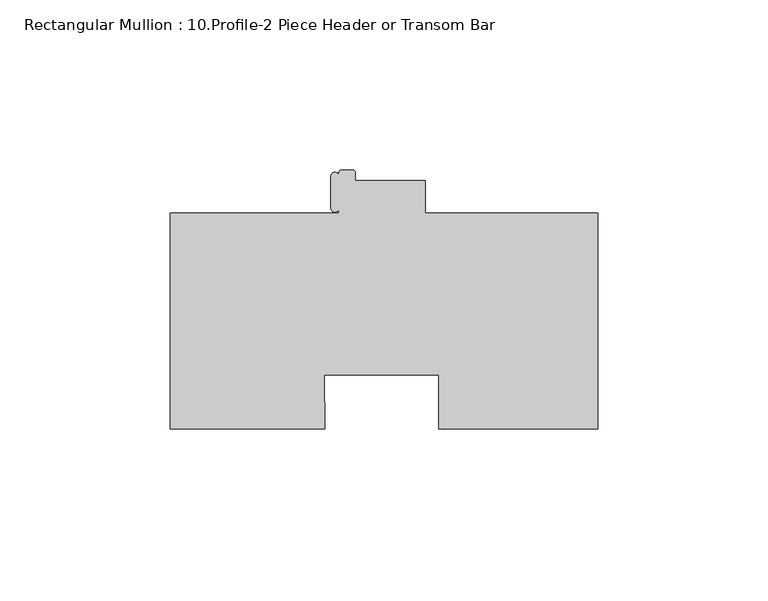
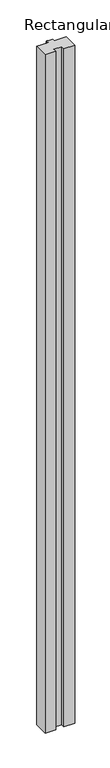
"""IFC4 building model written with IfcOpenShell, lengths in millimetres: member geometry, Rectangular Mullion : 10.Profile-2 Piece Header or Transom Bar."""

from ifc_helpers import new_model, si_unit, point, frame, frame_2d, origin, place, context, project, spatial, polyline, circle_curve, trimmed, segment, composite_curve, outline, extrude, source, transform, mapped, element, save


def rectangular_mullion_10_profile_2_piece_header_or_transom_bar_689abd13(model_context):
    return source(origin(), model_context, "Body", "SweptSolid", [
        extrude(outline(composite_curve([segment(polyline([(-50.7238, 31.75), (0.0, 31.75), (0.0, -31.75), (-46.8503, -31.75), (-46.8503, -15.8624762), (-80.4752652, -15.8624762), (-80.2810629, -31.75), (-125.7808, -31.75), (-125.7808, 31.75), (-76.1238, 31.75), (-76.1238, 33.2158042)]), True, "CONTINUOUS"), segment(trimmed(circle_curve(frame_2d((-77.317346, 33.2404291)), 1.1938), [point((-76.1238, 33.2158042))], [point((-78.511146, 33.2404291))], False, "CARTESIAN"), True, "CONTINUOUS"), segment(polyline([(-78.511146, 33.2404291), (-78.511146, 42.5657845)]), True, "CONTINUOUS"), segment(trimmed(circle_curve(frame_2d((-77.317346, 42.5657845)), 1.1938), [point((-78.511146, 42.5657845))], [point((-76.1238, 42.5904094))], False, "CARTESIAN"), True, "CONTINUOUS"), segment(polyline([(-76.1238, 42.5904094), (-76.1238, 43.6626)]), True, "CONTINUOUS"), segment(trimmed(circle_curve(frame_2d((-75.3364, 43.6626)), 0.7874), [point((-76.1238, 43.6626))], [point((-75.3364, 44.45))], False, "CARTESIAN"), True, "CONTINUOUS"), segment(polyline([(-75.3364, 44.45), (-72.136, 44.45)]), True, "CONTINUOUS"), segment(trimmed(circle_curve(frame_2d((-72.136, 43.6626)), 0.7874), [point((-72.136, 44.45))], [point((-71.3486, 43.6626))], False, "CARTESIAN"), True, "CONTINUOUS"), segment(polyline([(-71.3486, 43.6626), (-71.3486, 41.275), (-50.7238, 41.275), (-50.7238, 31.75)]), True, "CONTINUOUS")], self_intersect=False)), frame((0.0, 0.0, -3048.0), z_axis=(0.0, 0.0, 1.0), x_axis=(1.0, 0.0, 0.0)), (0.0, 0.0, 1.0), 3048.0),
    ])


if __name__ == "__main__":
    model = new_model("IFC4")
    model_context = context("Model", 3, world=origin())
    ifc_project = project(units=[si_unit("LENGTHUNIT", "METRE", prefix="MILLI")], contexts=[model_context])
    site = spatial("IfcSite", under=ifc_project)
    building = spatial("IfcBuilding", under=site)
    placement = place(None, origin())
    rectangular_mullion_10_profile_2_piece_header_or_transom_bar_shape = rectangular_mullion_10_profile_2_piece_header_or_transom_bar_689abd13(model_context)
    element("IfcMember", 1, ObjectType="Rectangular Mullion : 10.Profile-2 Piece Header or Transom Bar", at=placement, inside=building, context=model_context, shape_type="MappedRepresentation", body=[
        mapped(rectangular_mullion_10_profile_2_piece_header_or_transom_bar_shape, transform((0.0, 0.0, 0.0), x_axis=(1.0, 0.0, 0.0), y_axis=(0.0, 1.0, 0.0), z_axis=(0.0, 0.0, 1.0))),
    ])
    save(model, "model.ifc")
